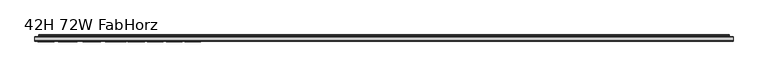
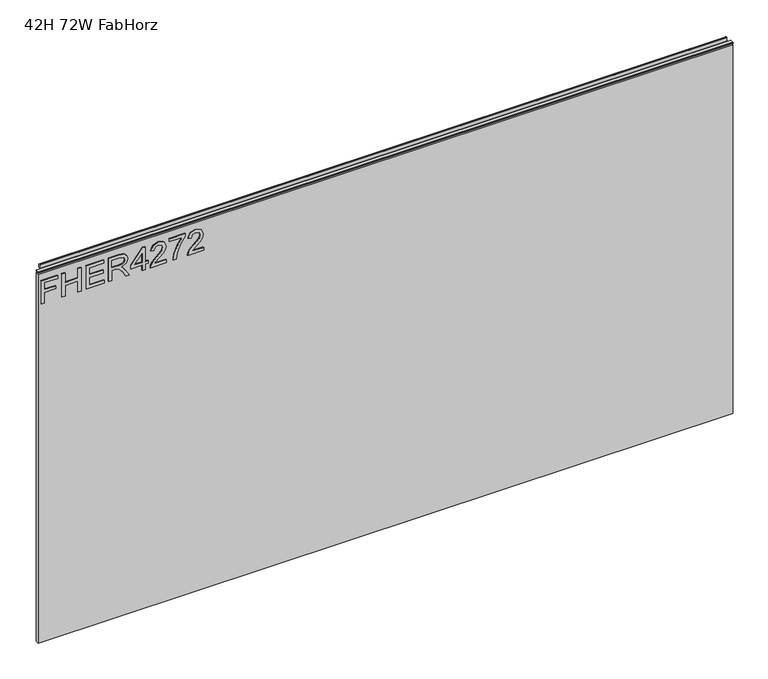
"""IFC4 building model written with IfcOpenShell, lengths in millimetres: furniture geometry, 42H 72W FabHorz."""

from ifc_helpers import new_model, si_unit, frame, origin, place, context, project, spatial, polyline, outline, extrude, source, transform, mapped, element, save


def furniture_42h_72w_fabhorz_a06ee93e(model_context):
    return source(origin(), model_context, "Body", "SweptSolid", [
        extrude(outline(polyline([(938.7078, -291.2189953), (938.7078, -283.2452757), (967.6125336, -283.2452757), (967.6125336, -253.3438271), (975.5862532, -253.3438271), (975.5862532, -283.2452757), (994.5238373, -283.2452757), (994.5238373, -248.3602524), (1002.4975569, -248.3602524), (1002.4975569, -291.2189953), (938.7078, -291.2189953)])), frame((0.0, -5.5562439, 0.0), z_axis=(0.0, 1.0, 0.0), x_axis=(0.0, 0.0, 1.0)), (0.0, 0.0, 1.0), 2.38125),
        extrude(outline(polyline([(938.7078, -237.3963879), (938.7078, -229.4226683), (968.6092486, -229.4226683), (968.6092486, -195.5343599), (938.7078, -195.5343599), (938.7078, -187.5606403), (1002.4975569, -187.5606403), (1002.4975569, -195.5343599), (976.5829682, -195.5343599), (976.5829682, -229.4226683), (1002.4975569, -229.4226683), (1002.4975569, -237.3963879), (938.7078, -237.3963879)])), frame((0.0, -5.5562439, 0.0), z_axis=(0.0, 1.0, 0.0), x_axis=(0.0, 0.0, 1.0)), (0.0, 0.0, 1.0), 2.38125),
        extrude(outline(polyline([(938.7078, -173.606631), (938.7078, -126.7610282), (946.6815196, -126.7610282), (946.6815196, -165.6329113), (967.6125336, -165.6329113), (967.6125336, -129.7511731), (975.5862532, -129.7511731), (975.5862532, -165.6329113), (994.5238373, -165.6329113), (994.5238373, -127.7577432), (1002.4975569, -127.7577432), (1002.4975569, -173.606631), (938.7078, -173.606631)])), frame((0.0, -5.5562439, 0.0), z_axis=(0.0, 1.0, 0.0), x_axis=(0.0, 0.0, 1.0)), (0.0, 0.0, 1.0), 2.38125),
        extrude(outline(polyline([(938.7078, -114.8004488), (938.7078, -106.8267292), (966.6158187, -106.8267292), (966.6158187, -97.2022004), (966.3354926, -92.5768201), (964.8170596, -88.7846312), (960.68225, -84.5719531), (951.9298468, -78.5760897), (938.7078, -70.275323), (938.7078, -61.0089887), (955.994575, -71.6458061), (964.2018996, -78.1088796), (967.6125336, -82.6408179), (973.5461023, -69.2863949), (985.0394716, -64.9647012), (994.6873609, -67.5732911), (1000.7766663, -74.5502957), (1002.4975569, -87.3129192), (1002.4975569, -114.8004488), (938.7078, -114.8004488)]), holes=[polyline([(974.5895383, -106.8267292), (994.5238373, -106.8267292), (994.5238373, -86.9702985), (991.7672975, -76.3101206), (984.7435719, -72.9384208), (979.3317211, -74.7060325), (975.7186294, -79.8764913), (974.5895383, -88.9793021), (974.5895383, -106.8267292)])]), frame((0.0, -5.5562439, 0.0), z_axis=(0.0, 1.0, 0.0), x_axis=(0.0, 0.0, 1.0)), (0.0, 0.0, 1.0), 2.38125),
        extrude(outline(polyline([(938.7078, -28.0862479), (938.7078, -20.1125283), (953.6585243, -20.1125283), (953.6585243, -12.1388087), (961.6322439, -12.1388087), (961.6322439, -20.1125283), (1001.500842, -20.1125283), (1001.500842, -26.092818), (961.6322439, -56.9909816), (953.6585243, -56.9909816), (953.6585243, -28.0862479), (938.7078, -28.0862479)]), holes=[polyline([(961.6322439, -28.0862479), (961.6322439, -47.1795687), (986.2697916, -28.0862479), (961.6322439, -28.0862479)])]), frame((0.0, -5.5562439, 0.0), z_axis=(0.0, 1.0, 0.0), x_axis=(0.0, 0.0, 1.0)), (0.0, 0.0, 1.0), 2.38125),
        extrude(outline(polyline([(946.6815196, 35.703509), (946.6815196, 4.3848564), (950.7384609, 7.9823744), (958.408494, 17.1552667), (969.3334243, 28.5785545), (977.1514072, 33.28959), (984.7124245, 34.7067941), (997.3893928, 29.4506801), (1002.4975569, 15.1774105), (997.903324, 0.9508619), (984.5566878, -5.161804), (983.5599729, 2.8119156), (991.6115608, 6.1680417), (994.5238373, 15.0061001), (991.5414793, 23.485964), (984.2296407, 26.7330744), (975.1969115, 23.2912931), (961.91257, 9.5241678), (952.6695962, -0.4585554), (944.2053059, -5.3019671), (938.7078, -6.158519), (938.7078, 35.703509), (946.6815196, 35.703509)])), frame((0.0, -5.5562439, 0.0), z_axis=(0.0, 1.0, 0.0), x_axis=(0.0, 0.0, 1.0)), (0.0, 0.0, 1.0), 2.38125),
        extrude(outline(polyline([(993.5271224, 43.6772286), (993.5271224, 77.565537), (977.0268178, 65.5115156), (956.6953902, 56.8136202), (938.7078, 53.6443781), (938.7078, 61.6180978), (956.041296, 64.5770953), (977.8989434, 73.6643324), (995.0533421, 85.5392566), (1001.500842, 85.5392566), (1001.500842, 43.6772286), (993.5271224, 43.6772286)])), frame((0.0, -5.5562439, 0.0), z_axis=(0.0, 1.0, 0.0), x_axis=(0.0, 0.0, 1.0)), (0.0, 0.0, 1.0), 2.38125),
        extrude(outline(polyline([(946.6815196, 133.3815743), (946.6815196, 102.0629217), (950.7384609, 105.6604397), (958.408494, 114.833332), (969.3334243, 126.2566198), (977.1514072, 130.9676553), (984.7124245, 132.3848594), (997.3893928, 127.1287454), (1002.4975569, 112.8554758), (997.903324, 98.6289272), (984.5566878, 92.5162613), (983.5599729, 100.4899809), (991.6115608, 103.846107), (994.5238373, 112.6841654), (991.5414793, 121.1640293), (984.2296407, 124.4111398), (975.1969115, 120.9693584), (961.91257, 107.2022332), (952.6695962, 97.21951), (944.2053059, 92.3760982), (938.7078, 91.5195463), (938.7078, 133.3815743), (946.6815196, 133.3815743)])), frame((0.0, -5.5562439, 0.0), z_axis=(0.0, 1.0, 0.0), x_axis=(0.0, 0.0, 1.0)), (0.0, 0.0, 1.0), 2.38125),
        extrude(outline(polyline([(5.5562561, 1028.7), (5.5562561, 1025.5249996), (-3.975094, 1025.5249996), (-5.3492339, 1026.3183657), (-5.3492339, 1027.9066395), (-3.9751037, 1028.7), (5.5562561, 1028.7)])), frame((-298.196, 0.0, 0.0), z_axis=(1.0, 0.0, 0.0), x_axis=(0.0, 1.0, 0.0)), (0.0, 0.0, 1.0), 1815.592),
        extrude(outline(polyline([(1517.396, 6.3500061), (1517.396, -3.1749939), (-298.196, -3.1749939), (-298.196, 6.3500061), (1517.396, 6.3500061)])), frame((0.0, 0.0, 0.8381927), z_axis=(0.0, 0.0, 1.0), x_axis=(1.0, 0.0, 0.0)), (0.0, 0.0, 1.0), 1020.4196073),
        extrude(outline(polyline([(5.5562561, 1028.7), (6.3500061, 1028.7), (6.3500061, 1038.57425), (7.1437561, 1039.368), (8.6677569, 1039.368), (10.0084363, 1038.9506926), (10.875413, 1037.8461816), (10.9623604, 1036.4447591), (10.2390011, 1033.4863459), (10.4046103, 1032.2833307), (11.6746103, 1030.0836103), (10.7786383, 1029.5663244), (7.1437561, 1029.5663244), (7.1437561, 1028.7), (6.3500061, 1028.4669239), (6.3500061, 1021.2578), (5.5562561, 1021.2578), (5.5562561, 1028.7)])), frame((-288.671, 0.0, 0.0), z_axis=(1.0, 0.0, 0.0), x_axis=(0.0, 1.0, 0.0)), (0.0, 0.0, 1.0), 1796.542),
    ])


if __name__ == "__main__":
    model = new_model("IFC4")
    model_context = context("Model", 3, world=origin())
    ifc_project = project(units=[si_unit("LENGTHUNIT", "METRE", prefix="MILLI")], contexts=[model_context])
    site = spatial("IfcSite", under=ifc_project)
    building = spatial("IfcBuilding", under=site)
    placement = place(None, origin())
    furniture_42h_72w_fabhorz_shape = furniture_42h_72w_fabhorz_a06ee93e(model_context)
    element("IfcFurniture", 1, ObjectType="42H 72W FabHorz", at=placement, inside=building, context=model_context, shape_type="MappedRepresentation", body=[
        mapped(furniture_42h_72w_fabhorz_shape, transform((0.0, 0.0, 0.0), x_axis=(1.0, 0.0, 0.0), y_axis=(0.0, 1.0, 0.0), z_axis=(0.0, 0.0, 1.0))),
    ])
    save(model, "model.ifc")
